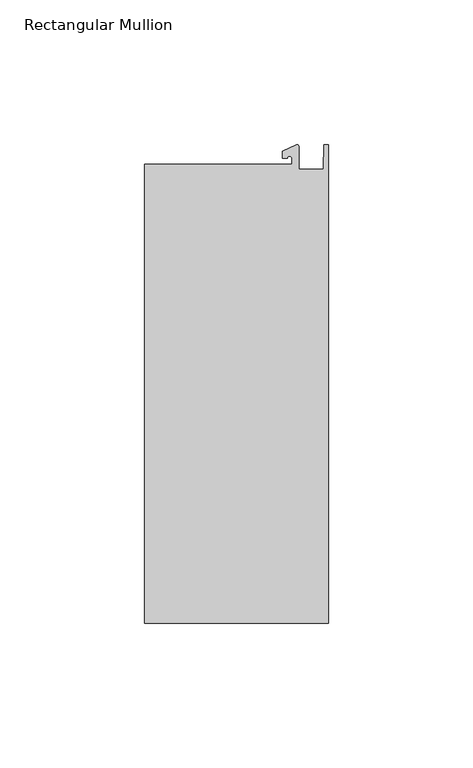
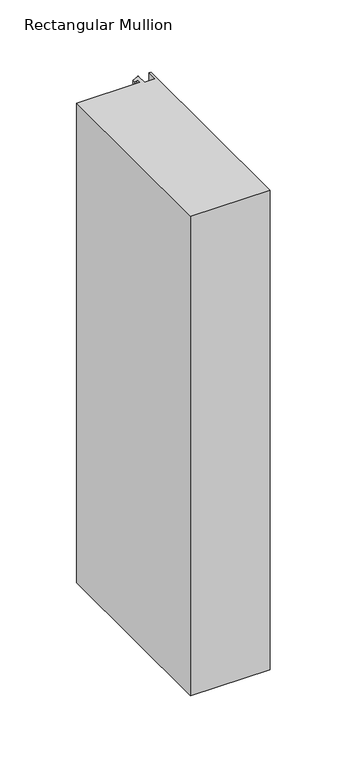
"""IFC4 building model written with IfcOpenShell, lengths in millimetres: member geometry, Rectangular Mullion."""

from ifc_helpers import new_model, si_unit, point, frame, frame_2d, origin, place, context, project, spatial, polyline, circle_curve, trimmed, segment, composite_curve, outline, extrude, source, transform, mapped, element, save


def rectangular_mullion_7c9e10ce(model_context):
    return source(origin(), model_context, "Body", "SweptSolid", [
        extrude(outline(composite_curve([segment(polyline([(-12.6173814, 25.5984375), (-12.6173814, 27.6780632)]), True, "CONTINUOUS"), segment(trimmed(circle_curve(frame_2d((-13.4111314, 27.6780632)), 0.79375), [point((-12.6173814, 27.6780632))], [point((-14.2048814, 27.6780632))], True, "CARTESIAN"), True, "CONTINUOUS"), segment(polyline([(-14.2048814, 27.6780632), (-15.7923814, 27.6780632), (-15.7923814, 30.0402625), (-10.9524715, 32.2971496)]), True, "CONTINUOUS"), segment(trimmed(circle_curve(frame_2d((-10.7377814, 31.8367452)), 0.508), [point((-10.9524715, 32.2971496))], [point((-10.2297814, 31.8367452))], False, "CARTESIAN"), True, "CONTINUOUS"), segment(polyline([(-10.2297814, 31.8367452), (-10.2297814, 23.9227662), (-1.7144124, 23.9227662), (-1.5658966, 32.288874), (0.0, 32.288874), (0.0, -132.822512), (-63.5, -132.822512), (-63.5, 25.5984375), (-12.6173814, 25.5984375)]), True, "CONTINUOUS")], self_intersect=False)), frame((0.0, 0.0, -406.4), z_axis=(0.0, 0.0, 1.0), x_axis=(1.0, 0.0, 0.0)), (0.0, 0.0, 1.0), 406.4),
    ])


if __name__ == "__main__":
    model = new_model("IFC4")
    model_context = context("Model", 3, world=origin())
    ifc_project = project(units=[si_unit("LENGTHUNIT", "METRE", prefix="MILLI")], contexts=[model_context])
    site = spatial("IfcSite", under=ifc_project)
    building = spatial("IfcBuilding", under=site)
    placement = place(None, origin())
    rectangular_mullion_shape = rectangular_mullion_7c9e10ce(model_context)
    element("IfcMember", 1, ObjectType="Rectangular Mullion", at=placement, inside=building, context=model_context, shape_type="MappedRepresentation", body=[
        mapped(rectangular_mullion_shape, transform((0.0, 0.0, 0.0), x_axis=(1.0, 0.0, 0.0), y_axis=(0.0, 1.0, 0.0), z_axis=(0.0, 0.0, 1.0))),
    ])
    save(model, "model.ifc")
